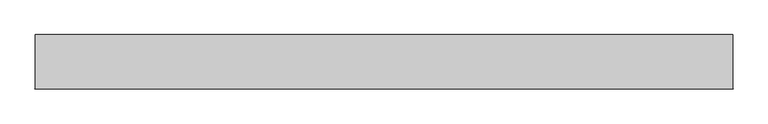
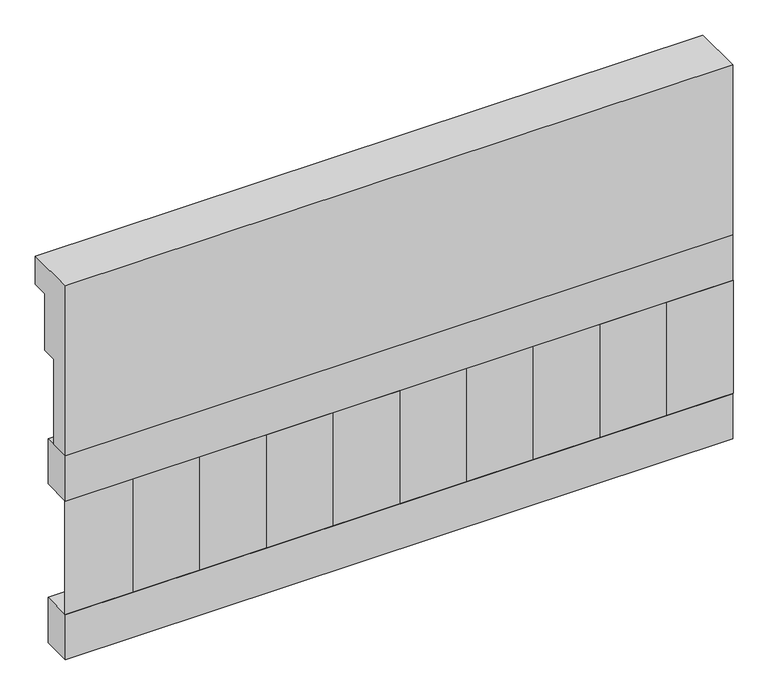
"""IFC4 building model written with IfcOpenShell, lengths in millimetres: railing geometry."""

from ifc_helpers import new_model, si_unit, frame, origin, place, context, project, spatial, polyline, outline, extrude, source, transform, mapped, element, save


def railing_d62f0a69(model_context):
    return source(origin(), model_context, "Body", "SweptSolid", [
        extrude(outline(polyline([(903.1079487, 25100.0), (1033.1079487, 25100.0), (1033.1079487, 25025.0), (993.1079487, 25025.0), (993.1079487, 24875.0), (953.1079487, 24875.0), (953.1079487, 24650.0), (903.1079487, 24650.0), (903.1079487, 25100.0)])), frame((19290.0112841, 0.0, 0.0), z_axis=(1.0, 0.0, 0.0), x_axis=(0.0, 1.0, 0.0)), (0.0, 0.0, 1.0), 1670.0),
        extrude(outline(polyline([(20960.0112841, 978.1079487), (20960.0112841, 903.1079487), (19290.0112841, 903.1079487), (19290.0112841, 978.1079487), (20960.0112841, 978.1079487)])), frame((0.0, 0.0, 24530.0), z_axis=(0.0, 0.0, 1.0), x_axis=(1.0, 0.0, 0.0)), (0.0, 0.0, 1.0), 120.0),
        extrude(outline(polyline([(20960.0112841, 978.1079487), (20960.0112841, 903.1079487), (19290.0112841, 903.1079487), (19290.0112841, 978.1079487), (20960.0112841, 978.1079487)])), frame((0.0, 0.0, 24110.0), z_axis=(0.0, 0.0, 1.0), x_axis=(1.0, 0.0, 0.0)), (0.0, 0.0, 1.0), 120.0),
        extrude(outline(polyline([(19373.5112841, 987.9607624), (19458.3640978, 903.1079487), (19288.6584704, 903.1079487), (19373.5112841, 987.9607624)])), frame((0.0, 0.0, 24230.0), z_axis=(0.0, 0.0, 1.0), x_axis=(1.0, 0.0, 0.0)), (0.0, 0.0, 1.0), 300.0),
        extrude(outline(polyline([(19540.5112841, 987.9607624), (19625.3640978, 903.1079487), (19455.6584704, 903.1079487), (19540.5112841, 987.9607624)])), frame((0.0, 0.0, 24230.0), z_axis=(0.0, 0.0, 1.0), x_axis=(1.0, 0.0, 0.0)), (0.0, 0.0, 1.0), 300.0),
        extrude(outline(polyline([(19707.5112841, 987.9607624), (19792.3640978, 903.1079487), (19622.6584704, 903.1079487), (19707.5112841, 987.9607624)])), frame((0.0, 0.0, 24230.0), z_axis=(0.0, 0.0, 1.0), x_axis=(1.0, 0.0, 0.0)), (0.0, 0.0, 1.0), 300.0),
        extrude(outline(polyline([(19874.5112841, 987.9607624), (19959.3640978, 903.1079487), (19789.6584704, 903.1079487), (19874.5112841, 987.9607624)])), frame((0.0, 0.0, 24230.0), z_axis=(0.0, 0.0, 1.0), x_axis=(1.0, 0.0, 0.0)), (0.0, 0.0, 1.0), 300.0),
        extrude(outline(polyline([(20041.5112841, 987.9607624), (20126.3640978, 903.1079487), (19956.6584704, 903.1079487), (20041.5112841, 987.9607624)])), frame((0.0, 0.0, 24230.0), z_axis=(0.0, 0.0, 1.0), x_axis=(1.0, 0.0, 0.0)), (0.0, 0.0, 1.0), 300.0),
        extrude(outline(polyline([(20208.5112841, 987.9607624), (20293.3640978, 903.1079487), (20123.6584704, 903.1079487), (20208.5112841, 987.9607624)])), frame((0.0, 0.0, 24230.0), z_axis=(0.0, 0.0, 1.0), x_axis=(1.0, 0.0, 0.0)), (0.0, 0.0, 1.0), 300.0),
        extrude(outline(polyline([(20375.5112841, 987.9607624), (20460.3640978, 903.1079487), (20290.6584704, 903.1079487), (20375.5112841, 987.9607624)])), frame((0.0, 0.0, 24230.0), z_axis=(0.0, 0.0, 1.0), x_axis=(1.0, 0.0, 0.0)), (0.0, 0.0, 1.0), 300.0),
        extrude(outline(polyline([(20542.5112841, 987.9607624), (20627.3640978, 903.1079487), (20457.6584704, 903.1079487), (20542.5112841, 987.9607624)])), frame((0.0, 0.0, 24230.0), z_axis=(0.0, 0.0, 1.0), x_axis=(1.0, 0.0, 0.0)), (0.0, 0.0, 1.0), 300.0),
        extrude(outline(polyline([(20709.5112841, 987.9607624), (20794.3640978, 903.1079487), (20624.6584704, 903.1079487), (20709.5112841, 987.9607624)])), frame((0.0, 0.0, 24230.0), z_axis=(0.0, 0.0, 1.0), x_axis=(1.0, 0.0, 0.0)), (0.0, 0.0, 1.0), 300.0),
        extrude(outline(polyline([(20876.5112841, 987.9607624), (20961.3640978, 903.1079487), (20791.6584704, 903.1079487), (20876.5112841, 987.9607624)])), frame((0.0, 0.0, 24230.0), z_axis=(0.0, 0.0, 1.0), x_axis=(1.0, 0.0, 0.0)), (0.0, 0.0, 1.0), 300.0),
    ])


if __name__ == "__main__":
    model = new_model("IFC4")
    model_context = context("Model", 3, world=origin())
    ifc_project = project(units=[si_unit("LENGTHUNIT", "METRE", prefix="MILLI")], contexts=[model_context])
    site = spatial("IfcSite", under=ifc_project)
    building = spatial("IfcBuilding", under=site)
    placement = place(None, origin())
    railing_shape = railing_d62f0a69(model_context)
    element("IfcRailing", 1, at=placement, inside=building, context=model_context, shape_type="MappedRepresentation", body=[
        mapped(railing_shape, transform((0.0, 0.0, 0.0), x_axis=(1.0, 0.0, 0.0), y_axis=(0.0, 1.0, 0.0), z_axis=(0.0, 0.0, 1.0))),
    ])
    save(model, "model.ifc")
